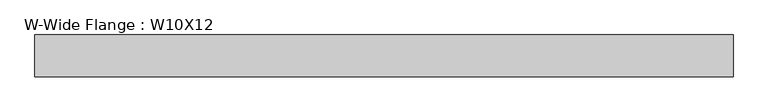
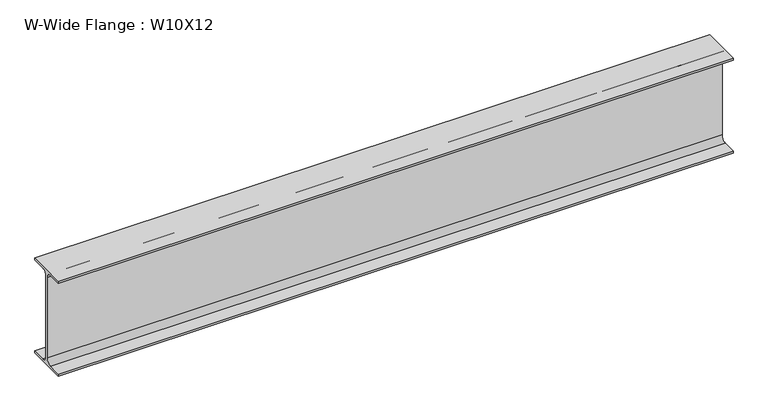
"""IFC4 building model written with IfcOpenShell, lengths in millimetres: beam geometry, W-Wide Flange : W10X12."""

from ifc_helpers import new_model, si_unit, point, frame, frame_2d, origin, place, context, project, spatial, polyline, circle_curve, trimmed, segment, composite_curve, outline, extrude, source, transform, mapped, element, save


def w_wide_flange_w10x12_30f9113b(model_context):
    return source(origin(), model_context, "Body", "SweptSolid", [
        extrude(outline(composite_curve([segment(polyline([(50.3039062, -120.0050781), (50.3039062, -125.3628906), (-50.3039063, -125.3628906), (-50.3039063, -120.0050781), (-16.1230469, -120.0050781)]), True, "CONTINUOUS"), segment(trimmed(circle_curve(frame_2d((-16.1230469, -106.3128906)), 13.6921875), [point((-16.1230469, -120.0050781))], [point((-2.4308594, -106.3128906))], True, "CARTESIAN"), True, "CONTINUOUS"), segment(polyline([(-2.4308594, -106.3128906), (-2.4308594, 106.3128906)]), True, "CONTINUOUS"), segment(trimmed(circle_curve(frame_2d((-16.1230469, 106.3128906)), 13.6921875), [point((-2.4308594, 106.3128906))], [point((-16.1230469, 120.0050781))], True, "CARTESIAN"), True, "CONTINUOUS"), segment(polyline([(-16.1230469, 120.0050781), (-50.3039063, 120.0050781), (-50.3039063, 125.3628906), (50.3039062, 125.3628906), (50.3039062, 120.0050781), (16.1230469, 120.0050781)]), True, "CONTINUOUS"), segment(trimmed(circle_curve(frame_2d((16.1230469, 106.3128906)), 13.6921875), [point((16.1230469, 120.0050781))], [point((2.4308594, 106.3128906))], True, "CARTESIAN"), True, "CONTINUOUS"), segment(polyline([(2.4308594, 106.3128906), (2.4308594, -106.3128906)]), True, "CONTINUOUS"), segment(trimmed(circle_curve(frame_2d((16.1230469, -106.3128906)), 13.6921875), [point((2.4308594, -106.3128906))], [point((16.1230469, -120.0050781))], True, "CARTESIAN"), True, "CONTINUOUS"), segment(polyline([(16.1230469, -120.0050781), (50.3039062, -120.0050781)]), True, "CONTINUOUS")], self_intersect=False)), frame((-842.01, 0.0, 0.0), z_axis=(1.0, 0.0, 0.0), x_axis=(0.0, 1.0, 0.0)), (0.0, 0.0, 1.0), 1684.02),
    ])


if __name__ == "__main__":
    model = new_model("IFC4")
    model_context = context("Model", 3, world=origin())
    ifc_project = project(units=[si_unit("LENGTHUNIT", "METRE", prefix="MILLI")], contexts=[model_context])
    site = spatial("IfcSite", under=ifc_project)
    building = spatial("IfcBuilding", under=site)
    placement = place(None, origin())
    w_wide_flange_w10x12_shape = w_wide_flange_w10x12_30f9113b(model_context)
    element("IfcBeam", 1, ObjectType="W-Wide Flange : W10X12", at=placement, inside=building, context=model_context, shape_type="MappedRepresentation", body=[
        mapped(w_wide_flange_w10x12_shape, transform((0.0, 0.0, 0.0), x_axis=(1.0, 0.0, 0.0), y_axis=(0.0, 1.0, 0.0), z_axis=(0.0, 0.0, 1.0))),
    ])
    save(model, "model.ifc")
